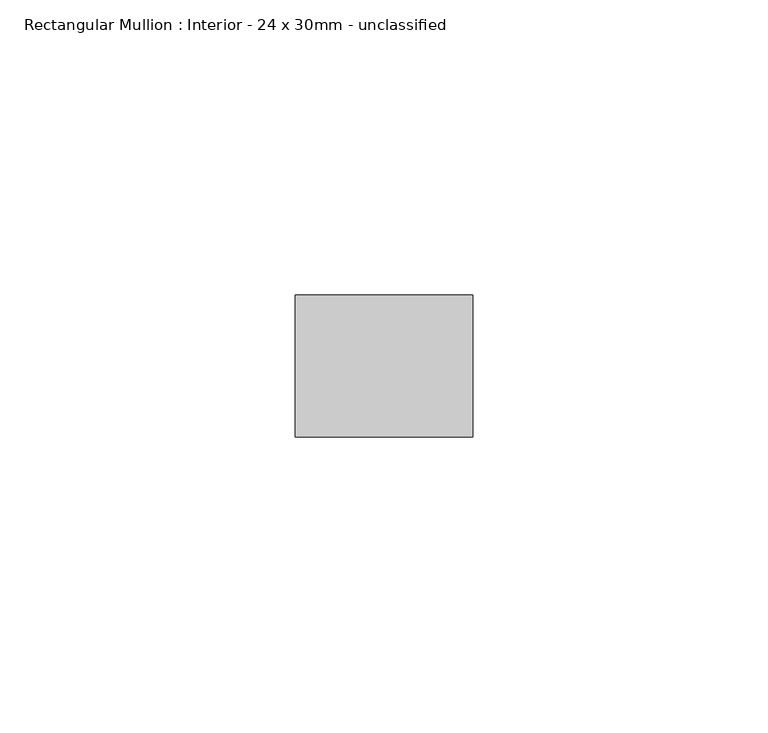
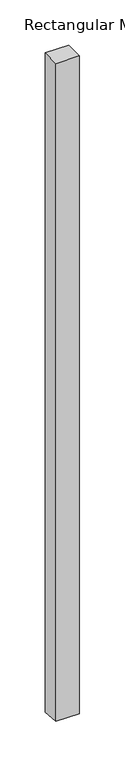
"""IFC4 building model written with IfcOpenShell, lengths in millimetres: member geometry, Rectangular Mullion : Interior - 24 x 30mm - unclassified."""

from ifc_helpers import new_model, si_unit, frame, origin, place, context, project, spatial, polyline, outline, extrude, source, transform, mapped, element, save


def rectangular_mullion_interior_24_x_30mm_unclassified_e848172e(model_context):
    return source(origin(), model_context, "Body", "SweptSolid", [
        extrude(outline(polyline([(-12.0, 0.0), (12.0, 0.0), (12.0, -890.9617564), (-12.0, -888.8792949), (-12.0, 0.0)])), frame((-30.0, 0.0, 0.0), z_axis=(1.0, 0.0, 0.0), x_axis=(0.0, 1.0, 0.0)), (0.0, 0.0, 1.0), 30.0),
    ])


if __name__ == "__main__":
    model = new_model("IFC4")
    model_context = context("Model", 3, world=origin())
    ifc_project = project(units=[si_unit("LENGTHUNIT", "METRE", prefix="MILLI")], contexts=[model_context])
    site = spatial("IfcSite", under=ifc_project)
    building = spatial("IfcBuilding", under=site)
    placement = place(None, origin())
    rectangular_mullion_interior_24_x_30mm_unclassified_shape = rectangular_mullion_interior_24_x_30mm_unclassified_e848172e(model_context)
    element("IfcMember", 1, ObjectType="Rectangular Mullion : Interior - 24 x 30mm - unclassified", at=placement, inside=building, context=model_context, shape_type="MappedRepresentation", body=[
        mapped(rectangular_mullion_interior_24_x_30mm_unclassified_shape, transform((0.0, 0.0, 0.0), x_axis=(1.0, 0.0, 0.0), y_axis=(0.0, 1.0, 0.0), z_axis=(0.0, 0.0, 1.0))),
    ])
    save(model, "model.ifc")
